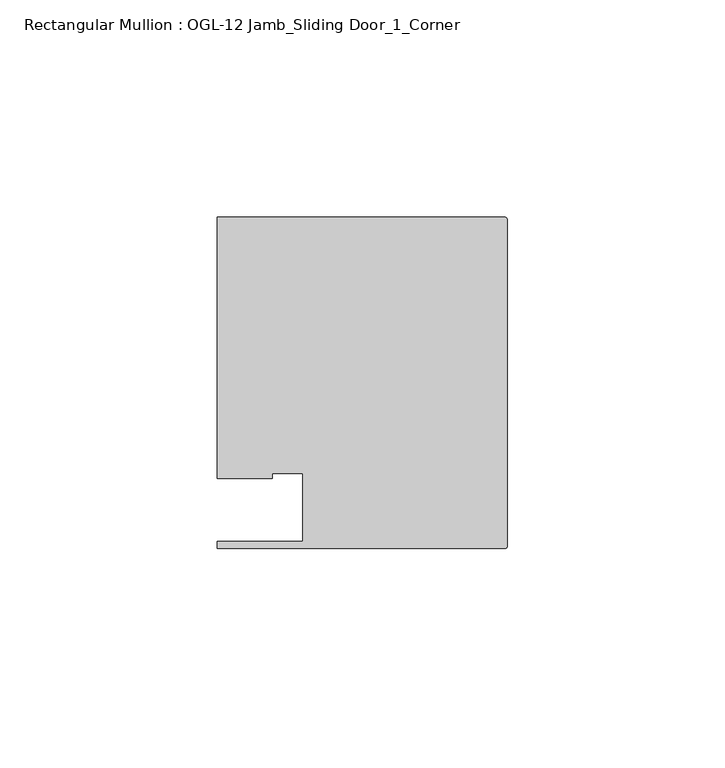
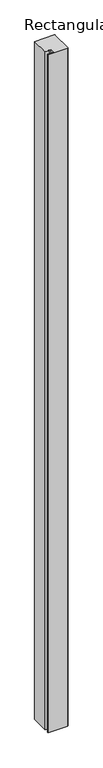
"""IFC4 building model written with IfcOpenShell, lengths in millimetres: member geometry, Rectangular Mullion : OGL-12 Jamb_Sliding Door_1_Corner."""

import ifcopenshell
import ifcopenshell.guid

model = None  # the IFC model being written
_history = None  # IfcOwnerHistory: only IFC2X3 demands one
_inside = {}  # id of a spatial element -> (the spatial element, [elements in it])
_under = {}  # id of a project, library or spatial element -> (it, [spatial elements below it])
_declared = {}  # id of a project -> (the project, [libraries it declares])
_typed = {}  # id of a type object -> (the type object, [elements of that type])
_made_of = {}  # id of a material, layer set ... -> (it, [elements and type objects made of it])


def new_model(schema):
    """Start an empty IFC model of exactly this schema.

    Asked for "IFC4X3", IfcOpenShell would pick the latest addendum, in which some entities
    have other attributes; the version numbers below select the first issue.
    IFC2X3 requires an IfcOwnerHistory on every rooted entity: one is made here for all.
    """
    global model, _history
    if schema == "IFC4X3":
        model = ifcopenshell.file(schema_version=(4, 3, 0, 0))
    else:
        model = ifcopenshell.file(schema=schema)
    _inside.clear()
    _under.clear()
    _declared.clear()
    _typed.clear()
    _made_of.clear()
    _history = None
    if model.schema == "IFC2X3":
        org = make("IfcOrganization", Name="unknown")
        user = make(
            "IfcPersonAndOrganization",
            ThePerson=make("IfcPerson", FamilyName="unknown"),
            TheOrganization=org,
        )
        app = make(
            "IfcApplication",
            ApplicationDeveloper=org,
            Version="unknown",
            ApplicationFullName="unknown",
            ApplicationIdentifier="unknown",
        )
        _history = make(
            "IfcOwnerHistory",
            OwningUser=user,
            OwningApplication=app,
            ChangeAction="ADDED",
            CreationDate=0,
        )
    return model


def make(cls, **values):
    """One entity of the class cls with the attributes given. An attribute that is None is left unset."""
    return model.create_entity(
        cls, **{name: value for name, value in values.items() if value is not None}
    )


def rooted(cls, **values):
    """An entity with a GlobalId (a new one), such as an element, a storey or a relation."""
    return make(cls, GlobalId=ifcopenshell.guid.new(), OwnerHistory=_history, **values)


def si_unit(unit_type, name, prefix=None):
    """IfcSIUnit, for example si_unit("LENGTHUNIT", "METRE", prefix="MILLI")."""
    return make("IfcSIUnit", UnitType=unit_type, Prefix=prefix, Name=name)


def assignment(units):
    """IfcUnitAssignment: the units of a project."""
    return None if units is None else make("IfcUnitAssignment", Units=units)


def point(xyz):
    """IfcCartesianPoint."""
    return None if xyz is None else make("IfcCartesianPoint", Coordinates=xyz)


def direction(xyz):
    """IfcDirection."""
    return None if xyz is None else make("IfcDirection", DirectionRatios=xyz)


def frame(location, z_axis=None, x_axis=None):
    """IfcAxis2Placement3D, a coordinate frame: its origin and axes. An axis left out is left unset."""
    return make(
        "IfcAxis2Placement3D",
        Location=point(location),
        Axis=direction(z_axis),
        RefDirection=direction(x_axis),
    )


def frame_2d(location, x_axis=None):
    """IfcAxis2Placement2D, a coordinate frame in the plane: its origin and x axis."""
    return make(
        "IfcAxis2Placement2D", Location=point(location), RefDirection=direction(x_axis)
    )


def origin():
    """The frame at (0, 0, 0) with its axes left unset."""
    return frame((0.0, 0.0, 0.0))


def place(relative_to, where):
    """IfcLocalPlacement: puts the frame where relative to a parent placement (None: the world)."""
    return make(
        "IfcLocalPlacement", PlacementRelTo=relative_to, RelativePlacement=where
    )


def context(
    kind, dimensions, precision=None, world=None, true_north=None, identifier=None
):
    """IfcGeometricRepresentationContext, for example the 3D "Model" context."""
    return make(
        "IfcGeometricRepresentationContext",
        ContextIdentifier=identifier,
        ContextType=kind,
        CoordinateSpaceDimension=dimensions,
        Precision=precision,
        WorldCoordinateSystem=world,
        TrueNorth=true_north,
    )


def project(units=None, contexts=None):
    """IfcProject with its units and contexts."""
    return rooted(
        "IfcProject",
        Name="project",
        RepresentationContexts=contexts,
        UnitsInContext=assignment(units),
    )


def spatial(cls, under=None, at=None, **own):
    """A site, building, storey or space (cls), placed at a placement, below another one or the project."""
    s = rooted(cls, ObjectPlacement=at, **own)
    if under is not None:
        _under.setdefault(under.id(), (under, []))[1].append(s)
    return s


def polyline(points):
    """IfcPolyline through the points."""
    return make("IfcPolyline", Points=[point(p) for p in points])


def circle_curve(where, radius):
    """IfcCircle in the frame where."""
    return make("IfcCircle", Position=where, Radius=radius)


def trimmed(basis, trim1, trim2, sense, master):
    """IfcTrimmedCurve: the piece of a basis curve between two trims."""
    return make(
        "IfcTrimmedCurve",
        BasisCurve=basis,
        Trim1=trim1,
        Trim2=trim2,
        SenseAgreement=sense,
        MasterRepresentation=master,
    )


def segment(curve, same_sense, transition):
    """IfcCompositeCurveSegment."""
    return make(
        "IfcCompositeCurveSegment",
        Transition=transition,
        SameSense=same_sense,
        ParentCurve=curve,
    )


def composite_curve(segments, self_intersect=None):
    """IfcCompositeCurve: segments joined end to end."""
    return make("IfcCompositeCurve", Segments=segments, SelfIntersect=self_intersect)


def outline(outer, holes=None, kind="AREA"):
    """IfcArbitraryClosedProfileDef: a profile drawn as a closed curve; with holes, ...WithVoids."""
    if holes is None:
        return make("IfcArbitraryClosedProfileDef", ProfileType=kind, OuterCurve=outer)
    return make(
        "IfcArbitraryProfileDefWithVoids",
        ProfileType=kind,
        OuterCurve=outer,
        InnerCurves=holes,
    )


def extrude(swept, where, along, depth):
    """IfcExtrudedAreaSolid: the profile swept, set in the frame where, extruded along a direction by depth."""
    return make(
        "IfcExtrudedAreaSolid",
        SweptArea=swept,
        Position=where,
        ExtrudedDirection=direction(along),
        Depth=depth,
    )


def shape(context_of_items, identifier, shape_type, items):
    """IfcShapeRepresentation: the items that make up one representation, for example the "Body"."""
    return make(
        "IfcShapeRepresentation",
        ContextOfItems=context_of_items,
        RepresentationIdentifier=identifier,
        RepresentationType=shape_type,
        Items=items,
    )


def source(mapping_origin, context_of_items, identifier, shape_type, items):
    """IfcRepresentationMap: a shape defined once, which mapped items show again and again."""
    return make(
        "IfcRepresentationMap",
        MappingOrigin=mapping_origin,
        MappedRepresentation=shape(context_of_items, identifier, shape_type, items),
    )


def transform(
    local_origin,
    x_axis=None,
    y_axis=None,
    z_axis=None,
    scale=None,
    scale2=None,
    scale3=None,
    uniform=True,
):
    """IfcCartesianTransformationOperator3D, or its non-uniform kind. x_axis, y_axis, z_axis: its Axis1, 2, 3."""
    if uniform:
        return make(
            "IfcCartesianTransformationOperator3D",
            Axis1=direction(x_axis),
            Axis2=direction(y_axis),
            LocalOrigin=point(local_origin),
            Scale=scale,
            Axis3=direction(z_axis),
        )
    return make(
        "IfcCartesianTransformationOperator3DnonUniform",
        Axis1=direction(x_axis),
        Axis2=direction(y_axis),
        LocalOrigin=point(local_origin),
        Scale=scale,
        Axis3=direction(z_axis),
        Scale2=scale2,
        Scale3=scale3,
    )


def mapped(mapping_source, mapping_target):
    """IfcMappedItem: shows the shape of a source again, moved by a transform."""
    return make(
        "IfcMappedItem", MappingSource=mapping_source, MappingTarget=mapping_target
    )


def made_of(thing, what):
    """Note that an element or type object is made of a material, layer set ...; save() writes the relation."""
    if what is not None:
        _made_of.setdefault(what.id(), (what, []))[1].append(thing)
    return thing


def element(
    cls,
    number,
    at=None,
    inside=None,
    cuts=None,
    type_object=None,
    material=None,
    context=None,
    identifier="Body",
    shape_type=None,
    held_by="IfcProductDefinitionShape",
    body=None,
    shapes=None,
    **own,
):
    """One element of the class cls, such as IfcWall. Its Tag is "e" and its number.

    at: its placement. inside: the storey or other place that contains it. cuts: it is an
    opening in that element (IfcRelVoidsElement). A single representation is given by context,
    identifier, shape_type and body (its items); several are given by shapes. held_by: the class
    of the entity that holds the representations. save() writes the other relations.
    """
    e = rooted(cls, Tag="e%d" % number, ObjectPlacement=at, **own)
    if body is not None:
        shapes = [shape(context, identifier, shape_type, body)]
    if shapes is not None:
        e.Representation = make(held_by, Representations=shapes)
    if inside is not None:
        _inside.setdefault(inside.id(), (inside, []))[1].append(e)
    if cuts is not None:
        rooted(
            "IfcRelVoidsElement", RelatingBuildingElement=cuts, RelatedOpeningElement=e
        )
    if type_object is not None:
        _typed.setdefault(type_object.id(), (type_object, []))[1].append(e)
    return made_of(e, material)


def aggregate(whole, parts):
    """IfcRelAggregates: a whole, such as a stair, and the parts it consists of."""
    return rooted("IfcRelAggregates", RelatingObject=whole, RelatedObjects=parts)


def save(model, path):
    """Write the relations noted so far, then the file.

    IfcRelAggregates (storeys below a building ...), IfcRelContainedInSpatialStructure (elements
    in a storey), IfcRelDefinesByType, IfcRelAssociatesMaterial and IfcRelDeclares: one each for
    every whole, place, type object, material and project.
    """
    for whole, parts in _under.values():
        aggregate(whole, parts)
    for where, things in _inside.values():
        rooted(
            "IfcRelContainedInSpatialStructure",
            RelatedElements=things,
            RelatingStructure=where,
        )
    for kind, things in _typed.values():
        rooted("IfcRelDefinesByType", RelatedObjects=things, RelatingType=kind)
    for what, things in _made_of.values():
        rooted("IfcRelAssociatesMaterial", RelatedObjects=things, RelatingMaterial=what)
    for by, libraries in _declared.values():
        rooted("IfcRelDeclares", RelatingContext=by, RelatedDefinitions=libraries)
    model.write(path)


def rectangular_mullion_ogl_12_jamb_sliding_door_1_corner_cfed8afb(model_context):
    return source(origin(), model_context, "Body", "SweptSolid", [
        extrude(outline(composite_curve([segment(polyline([(-47.0121851, -6.350016), (-47.0121851, 9.3367652), (-54.0386602, 9.3367652), (-54.0386602, 8.1914024), (-66.6740655, 8.1914024), (-66.6740655, 68.2621792), (-0.5953125, 68.2621792)]), True, "CONTINUOUS"), segment(trimmed(circle_curve(frame_2d((-0.5953125, 67.6668667)), 0.5953125), [point((-0.5953125, 68.2621792))], [point((0.0, 67.6668667))], False, "CARTESIAN"), True, "CONTINUOUS"), segment(polyline([(0.0, 67.6668667), (0.0, -7.3422035)]), True, "CONTINUOUS"), segment(trimmed(circle_curve(frame_2d((-0.5953125, -7.3422035)), 0.5953125), [point((0.0, -7.3422035))], [point((-0.5953125, -7.937516))], False, "CARTESIAN"), True, "CONTINUOUS"), segment(polyline([(-0.5953125, -7.937516), (-66.6649711, -7.937516), (-66.6649711, -6.350016), (-47.0121851, -6.350016)]), True, "CONTINUOUS")], self_intersect=False)), frame((0.0, 0.0, -2386.0078176), z_axis=(0.0, 0.0, 1.0), x_axis=(1.0, 0.0, 0.0)), (0.0, 0.0, 1.0), 2386.0078176),
    ])


if __name__ == "__main__":
    model = new_model("IFC4")
    model_context = context("Model", 3, world=origin())
    ifc_project = project(units=[si_unit("LENGTHUNIT", "METRE", prefix="MILLI")], contexts=[model_context])
    site = spatial("IfcSite", under=ifc_project)
    building = spatial("IfcBuilding", under=site)
    placement = place(None, origin())
    rectangular_mullion_ogl_12_jamb_sliding_door_1_corner_shape = rectangular_mullion_ogl_12_jamb_sliding_door_1_corner_cfed8afb(model_context)
    element("IfcMember", 1, ObjectType="Rectangular Mullion : OGL-12 Jamb_Sliding Door_1_Corner", at=placement, inside=building, context=model_context, shape_type="MappedRepresentation", body=[
        mapped(rectangular_mullion_ogl_12_jamb_sliding_door_1_corner_shape, transform((0.0, 0.0, 0.0), x_axis=(1.0, 0.0, 0.0), y_axis=(0.0, 1.0, 0.0), z_axis=(0.0, 0.0, 1.0))),
    ])
    save(model, "model.ifc")
